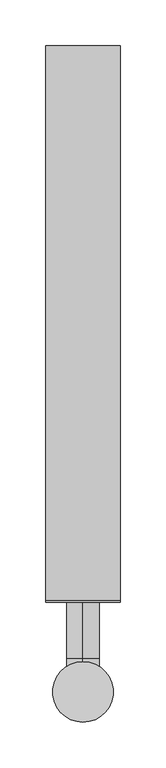
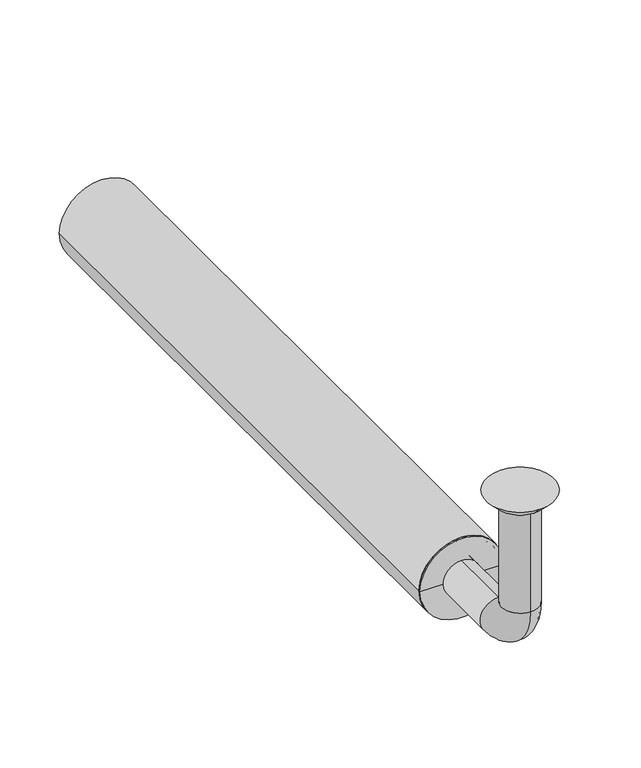
"""IFC4 building model written with IfcOpenShell, lengths in millimetres: beam geometry."""

from ifc_helpers import new_model, si_unit, point, frame, frame_2d, origin, place, context, project, spatial, polyline, circle_curve, ellipse_curve, trimmed, segment, composite_curve, outline, extrude, source, transform, mapped, element, save
from ifc_brep_helpers import plane_surface, cylinder_surface, revolved_surface, advanced_brep


def beam_1b8d364e(model_context):
    return source(origin(), model_context, "Body", "SolidModel", [
        extrude(outline(composite_curve([segment(trimmed(circle_curve(frame_2d((-150.0, 0.0)), 40.5), [point((-150.0, 40.5))], [point((-150.0, -40.5))], False, "CARTESIAN"), True, "CONTINUOUS"), segment(trimmed(circle_curve(frame_2d((-150.0, 0.0)), 40.5), [point((-150.0, -40.5))], [point((-150.0, 40.5))], False, "CARTESIAN"), True, "CONTINUOUS")], self_intersect=False), holes=[composite_curve([segment(trimmed(circle_curve(frame_2d((-150.0, 0.0)), 37.5), [point((-150.0, 37.5))], [point((-150.0, -37.5))], True, "CARTESIAN"), True, "CONTINUOUS"), segment(trimmed(circle_curve(frame_2d((-150.0, 0.0)), 37.5), [point((-150.0, -37.5))], [point((-150.0, 37.5))], True, "CARTESIAN"), True, "CONTINUOUS")], self_intersect=False)]), frame((0.0, 100.0, 0.0), z_axis=(0.0, 1.0, 0.0), x_axis=(0.0, 0.0, 1.0)), (0.0, 0.0, 1.0), 605.0),
        advanced_brep(
        [(0.0, -18.0, -10.0), (0.0, 18.0, -10.0), (0.0, -17.0, -10.0), (0.0, 17.0, -10.0), (0.0, -18.0, -114.0), (0.0, 18.0, -114.0), (0.0, -17.0, -114.0), (0.0, 17.0, -114.0), (0.0, 36.0, -132.0), (0.0, 36.0, -168.0), (0.0, 36.0, -133.0), (0.0, 36.0, -167.0), (0.0, 123.0, -168.0), (0.0, 123.0, -132.0), (0.0, 123.0, -167.0), (0.0, 123.0, -133.0)],
        [
            (0, 1, circle_curve(frame((0.0, 0.0, -10.0), z_axis=(0.0, 0.0, 1.0), x_axis=(0.0, 1.0, 0.0)), 18.0)),
            (1, 0, circle_curve(frame((0.0, 0.0, -10.0), z_axis=(0.0, 0.0, 1.0), x_axis=(0.0, 1.0, 0.0)), 18.0)),
            (2, 3, circle_curve(frame((0.0, 0.0, -10.0), z_axis=(0.0, 0.0, -1.0), x_axis=(0.0, 1.0, 0.0)), 17.0)),
            (3, 2, circle_curve(frame((0.0, 0.0, -10.0), z_axis=(0.0, 0.0, -1.0), x_axis=(0.0, 1.0, 0.0)), 17.0)),
            (0, 4),
            (4, 5, circle_curve(frame((0.0, 0.0, -114.0), z_axis=(0.0, 0.0, 1.0), x_axis=(0.0, 1.0, 0.0)), 18.0)),
            (5, 1),
            (5, 4, circle_curve(frame((0.0, 0.0, -114.0), z_axis=(0.0, 0.0, 1.0), x_axis=(0.0, 1.0, 0.0)), 18.0)),
            (2, 6),
            (6, 7, circle_curve(frame((0.0, 0.0, -114.0), z_axis=(0.0, 0.0, -1.0), x_axis=(0.0, 1.0, 0.0)), 17.0)),
            (7, 3),
            (7, 6, circle_curve(frame((0.0, 0.0, -114.0), z_axis=(0.0, 0.0, -1.0), x_axis=(0.0, 1.0, 0.0)), 17.0)),
            (8, 5, circle_curve(frame((0.0, 36.0, -114.0), z_axis=(-1.0, 0.0, 0.0), x_axis=(0.0, -1.0, 0.0)), 18.0)),
            (4, 9, circle_curve(frame((0.0, 36.0, -114.0), z_axis=(1.0, 0.0, 0.0), x_axis=(0.0, -1.0, 0.0)), 54.0)),
            (9, 8, circle_curve(frame((0.0, 36.0, -150.0), z_axis=(0.0, -1.0, 0.0), x_axis=(0.0, 0.0, 1.0)), 18.0)),
            (8, 9, circle_curve(frame((0.0, 36.0, -150.0), z_axis=(0.0, -1.0, 0.0), x_axis=(0.0, 0.0, 1.0)), 18.0)),
            (10, 7, circle_curve(frame((0.0, 36.0, -114.0), z_axis=(-1.0, 0.0, 0.0), x_axis=(0.0, -1.0, 0.0)), 19.0)),
            (6, 11, circle_curve(frame((0.0, 36.0, -114.0), z_axis=(1.0, 0.0, 0.0), x_axis=(0.0, -1.0, 0.0)), 53.0)),
            (11, 10, circle_curve(frame((0.0, 36.0, -150.0), z_axis=(0.0, 1.0, 0.0), x_axis=(0.0, 0.0, 1.0)), 17.0)),
            (10, 11, circle_curve(frame((0.0, 36.0, -150.0), z_axis=(0.0, 1.0, 0.0), x_axis=(0.0, 0.0, 1.0)), 17.0)),
            (12, 13, circle_curve(frame((0.0, 123.0, -150.0), z_axis=(0.0, 1.0, 0.0), x_axis=(0.0, 0.0, 1.0)), 18.0)),
            (13, 12, circle_curve(frame((0.0, 123.0, -150.0), z_axis=(0.0, 1.0, 0.0), x_axis=(0.0, 0.0, 1.0)), 18.0)),
            (14, 15, circle_curve(frame((0.0, 123.0, -150.0), z_axis=(0.0, -1.0, 0.0), x_axis=(0.0, 0.0, 1.0)), 17.0)),
            (15, 14, circle_curve(frame((0.0, 123.0, -150.0), z_axis=(0.0, -1.0, 0.0), x_axis=(0.0, 0.0, 1.0)), 17.0)),
            (9, 12),
            (13, 8),
            (11, 14),
            (15, 10),
        ],
        [
            plane_surface(frame((0.0, 0.0, -10.0), z_axis=(0.0, 0.0, 1.0), x_axis=(1.0, 0.0, 0.0))),
            cylinder_surface(frame((0.0, 0.0, -10.0), z_axis=(0.0, 0.0, 1.0), x_axis=(0.0, 1.0, 0.0)), 18.0),
            revolved_surface(polyline([(0.0, 17.0, -114.0), (0.0, 17.0, -10.0)]), (0.0, 0.0, -10.0), (0.0, 0.0, -1.0)),
            revolved_surface(trimmed(ellipse_curve(frame((0.0, 0.0, -114.0), z_axis=(0.0, 0.0, 1.0), x_axis=(0.0, 1.0, 0.0)), 18.0, 18.0), [point((0.0, -18.0, -114.0))], [point((0.0, 18.0, -114.0))], True, "CARTESIAN"), (0.0, 36.0, -114.0), (1.0, 0.0, 0.0)),
            revolved_surface(trimmed(ellipse_curve(frame((0.0, 0.0, -114.0), z_axis=(0.0, 0.0, 1.0), x_axis=(0.0, 1.0, 0.0)), 18.0, 18.0), [point((0.0, 18.0, -114.0))], [point((0.0, -18.0, -114.0))], True, "CARTESIAN"), (0.0, 36.0, -114.0), (1.0, 0.0, 0.0)),
            revolved_surface(trimmed(ellipse_curve(frame((0.0, 0.0, -114.0), z_axis=(0.0, 0.0, -1.0), x_axis=(0.0, 1.0, 0.0)), 17.0, 17.0), [point((0.0, -17.0, -114.0))], [point((0.0, 17.0, -114.0))], True, "CARTESIAN"), (0.0, 36.0, -114.0), (1.0, 0.0, 0.0)),
            revolved_surface(trimmed(ellipse_curve(frame((0.0, 0.0, -114.0), z_axis=(0.0, 0.0, -1.0), x_axis=(0.0, 1.0, 0.0)), 17.0, 17.0), [point((0.0, 17.0, -114.0))], [point((0.0, -17.0, -114.0))], True, "CARTESIAN"), (0.0, 36.0, -114.0), (1.0, 0.0, 0.0)),
            plane_surface(frame((0.0, 123.0, -150.0), z_axis=(0.0, 1.0, 0.0), x_axis=(1.0, 0.0, 0.0))),
            cylinder_surface(frame((0.0, 36.0, -150.0), z_axis=(0.0, -1.0, 0.0), x_axis=(0.0, 0.0, 1.0)), 18.0),
            revolved_surface(polyline([(0.0, 123.0, -133.0), (0.0, 36.0, -133.0)]), (0.0, 36.0, -150.0), (0.0, 1.0, 0.0)),
        ],
        [
            (0, [[1, 2], [3, 4]]),
            (1, [[-1, 5, 6, 7]]),
            (1, [[-2, -7, 8, -5]]),
            (2, [[-3, 9, 10, 11]]),
            (2, [[-4, -11, 12, -9]]),
            (3, [[13, -6, 14, 15]]),
            (4, [[-14, -8, -13, 16]]),
            (5, [[17, -10, 18, 19]]),
            (6, [[-18, -12, -17, 20]]),
            (7, [[21, 22], [23, 24]]),
            (8, [[-15, 25, -22, 26]]),
            (8, [[-16, -26, -21, -25]]),
            (9, [[-19, 27, -24, 28]]),
            (9, [[-20, -28, -23, -27]]),
        ],
    ),
        advanced_brep(
        [(0.0, 23.0, -10.0), (0.0, -23.0, -10.0), (0.0, 33.0, 0.0), (0.0, -33.0, 0.0)],
        [
            (0, 1, circle_curve(frame((0.0, 0.0, -10.0), z_axis=(0.0, 0.0, -1.0), x_axis=(0.0, 1.0, 0.0)), 23.0)),
            (1, 0, circle_curve(frame((0.0, 0.0, -10.0), z_axis=(0.0, 0.0, -1.0), x_axis=(0.0, -1.0, 0.0)), 23.0)),
            (2, 3, circle_curve(frame((0.0, 0.0, 0.0), z_axis=(0.0, 0.0, 1.0), x_axis=(0.0, -1.0, 0.0)), 33.0)),
            (3, 2, circle_curve(frame((0.0, 0.0, 0.0), z_axis=(0.0, 0.0, 1.0), x_axis=(0.0, 1.0, 0.0)), 33.0)),
            (3, 1),
            (0, 2),
        ],
        [
            plane_surface(frame((0.0, 0.0, -10.0), z_axis=(0.0, 0.0, -1.0), x_axis=(-1.0, 0.0, 0.0))),
            plane_surface(frame((0.0, 0.0, 0.0), z_axis=(0.0, 0.0, 1.0), x_axis=(-1.0, 0.0, 0.0))),
            revolved_surface(polyline([(0.0, 23.0, -10.0), (0.0, 33.0, 0.0)]), (0.0, 0.0, -33.0), (0.0, 0.0, 1.0)),
            revolved_surface(polyline([(0.0, -23.0, -10.0), (0.0, -33.0, 0.0)]), (0.0, 0.0, -33.0), (0.0, 0.0, 1.0)),
        ],
        [
            (0, [[1, 2]]),
            (1, [[3, 4]]),
            (2, [[-4, 5, -1, 6]]),
            (3, [[-3, -6, -2, -5]]),
        ],
    ),
        advanced_brep(
        [(37.5, 100.0, -150.0), (-37.5, 100.0, -150.0), (-37.5, 123.0, -150.0), (37.5, 123.0, -150.0), (-18.0, 123.0, -150.0), (18.0, 123.0, -150.0), (-18.0, 98.0, -150.0), (18.0, 98.0, -150.0), (-40.5, 98.0, -150.0), (40.5, 98.0, -150.0), (-40.5, 100.0, -150.0), (40.5, 100.0, -150.0)],
        [
            (0, 1, circle_curve(frame((0.0, 100.0, -150.0), z_axis=(0.0, 1.0, 0.0), x_axis=(-1.0, 0.0, 0.0)), 37.5)),
            (1, 2),
            (2, 3, circle_curve(frame((0.0, 123.0, -150.0), z_axis=(0.0, -1.0, 0.0), x_axis=(-1.0, 0.0, 0.0)), 37.5)),
            (3, 0),
            (1, 0, circle_curve(frame((0.0, 100.0, -150.0), z_axis=(0.0, 1.0, 0.0), x_axis=(-1.0, 0.0, 0.0)), 37.5)),
            (3, 2, circle_curve(frame((0.0, 123.0, -150.0), z_axis=(0.0, -1.0, 0.0), x_axis=(-1.0, 0.0, 0.0)), 37.5)),
            (2, 4),
            (4, 5, circle_curve(frame((0.0, 123.0, -150.0), z_axis=(0.0, -1.0, 0.0), x_axis=(-1.0, 0.0, 0.0)), 18.0)),
            (5, 3),
            (5, 4, circle_curve(frame((0.0, 123.0, -150.0), z_axis=(0.0, -1.0, 0.0), x_axis=(-1.0, 0.0, 0.0)), 18.0)),
            (4, 6),
            (6, 7, circle_curve(frame((0.0, 98.0, -150.0), z_axis=(0.0, -1.0, 0.0), x_axis=(-1.0, 0.0, 0.0)), 18.0)),
            (7, 5),
            (7, 6, circle_curve(frame((0.0, 98.0, -150.0), z_axis=(0.0, -1.0, 0.0), x_axis=(-1.0, 0.0, 0.0)), 18.0)),
            (6, 8),
            (8, 9, circle_curve(frame((0.0, 98.0, -150.0), z_axis=(0.0, -1.0, 0.0), x_axis=(-1.0, 0.0, 0.0)), 40.5)),
            (9, 7),
            (9, 8, circle_curve(frame((0.0, 98.0, -150.0), z_axis=(0.0, -1.0, 0.0), x_axis=(-1.0, 0.0, 0.0)), 40.5)),
            (8, 10),
            (10, 11, circle_curve(frame((0.0, 100.0, -150.0), z_axis=(0.0, -1.0, 0.0), x_axis=(-1.0, 0.0, 0.0)), 40.5)),
            (11, 9),
            (11, 10, circle_curve(frame((0.0, 100.0, -150.0), z_axis=(0.0, -1.0, 0.0), x_axis=(-1.0, 0.0, 0.0)), 40.5)),
            (10, 1),
            (0, 11),
        ],
        [
            cylinder_surface(frame((0.0, 98.0, -150.0), z_axis=(0.0, -1.0, 0.0), x_axis=(-1.0, 0.0, 0.0)), 37.5),
            plane_surface(frame((0.0, 123.0, -150.0), z_axis=(0.0, 1.0, 0.0), x_axis=(-1.0, 0.0, 0.0))),
            revolved_surface(polyline([(-18.0, 98.0, -150.0), (-18.0, 123.0, -150.0)]), (0.0, 98.0, -150.0), (0.0, -1.0, 0.0)),
            plane_surface(frame((0.0, 98.0, -150.0), z_axis=(0.0, -1.0, 0.0), x_axis=(-1.0, 0.0, 0.0))),
            cylinder_surface(frame((0.0, 98.0, -150.0), z_axis=(0.0, -1.0, 0.0), x_axis=(-1.0, 0.0, 0.0)), 40.5),
            plane_surface(frame((0.0, 100.0, -150.0), z_axis=(0.0, 1.0, 0.0), x_axis=(-1.0, 0.0, 0.0))),
        ],
        [
            (0, [[1, 2, 3, 4]]),
            (0, [[5, -4, 6, -2]]),
            (1, [[-3, 7, 8, 9]]),
            (1, [[-6, -9, 10, -7]]),
            (2, [[-8, 11, 12, 13]]),
            (2, [[-10, -13, 14, -11]]),
            (3, [[-12, 15, 16, 17]]),
            (3, [[-14, -17, 18, -15]]),
            (4, [[-16, 19, 20, 21]]),
            (4, [[-18, -21, 22, -19]]),
            (5, [[-20, 23, -1, 24]]),
            (5, [[-22, -24, -5, -23]]),
        ],
    ),
    ])


if __name__ == "__main__":
    model = new_model("IFC4")
    model_context = context("Model", 3, world=origin())
    ifc_project = project(units=[si_unit("LENGTHUNIT", "METRE", prefix="MILLI")], contexts=[model_context])
    site = spatial("IfcSite", under=ifc_project)
    building = spatial("IfcBuilding", under=site)
    placement = place(None, origin())
    beam_shape = beam_1b8d364e(model_context)
    element("IfcBeam", 1, at=placement, inside=building, context=model_context, shape_type="MappedRepresentation", body=[
        mapped(beam_shape, transform((0.0, 0.0, 0.0), x_axis=(1.0, 0.0, 0.0), y_axis=(0.0, 1.0, 0.0), z_axis=(0.0, 0.0, 1.0))),
    ])
    save(model, "model.ifc")
